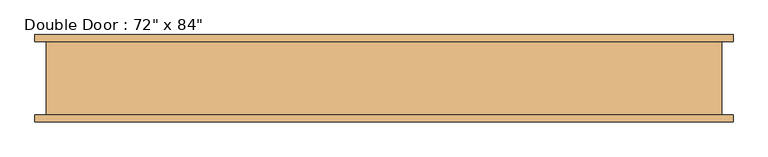
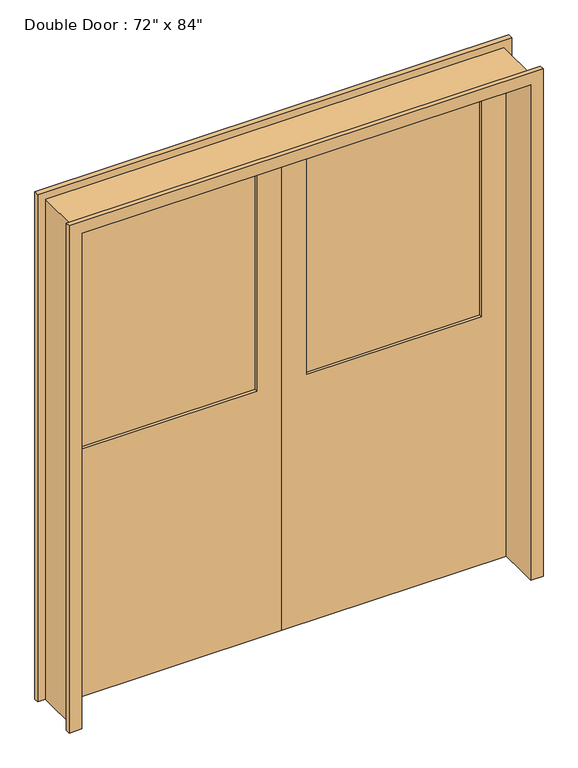
"""IFC4 building model written with IfcOpenShell, lengths in millimetres: door geometry."""

import ifcopenshell
import ifcopenshell.guid

model = None  # the IFC model being written
_history = None  # IfcOwnerHistory: only IFC2X3 demands one
_inside = {}  # id of a spatial element -> (the spatial element, [elements in it])
_under = {}  # id of a project, library or spatial element -> (it, [spatial elements below it])
_declared = {}  # id of a project -> (the project, [libraries it declares])
_typed = {}  # id of a type object -> (the type object, [elements of that type])
_made_of = {}  # id of a material, layer set ... -> (it, [elements and type objects made of it])


def new_model(schema):
    """Start an empty IFC model of exactly this schema.

    Asked for "IFC4X3", IfcOpenShell would pick the latest addendum, in which some entities
    have other attributes; the version numbers below select the first issue.
    IFC2X3 requires an IfcOwnerHistory on every rooted entity: one is made here for all.
    """
    global model, _history
    if schema == "IFC4X3":
        model = ifcopenshell.file(schema_version=(4, 3, 0, 0))
    else:
        model = ifcopenshell.file(schema=schema)
    _inside.clear()
    _under.clear()
    _declared.clear()
    _typed.clear()
    _made_of.clear()
    _history = None
    if model.schema == "IFC2X3":
        org = make("IfcOrganization", Name="unknown")
        user = make(
            "IfcPersonAndOrganization",
            ThePerson=make("IfcPerson", FamilyName="unknown"),
            TheOrganization=org,
        )
        app = make(
            "IfcApplication",
            ApplicationDeveloper=org,
            Version="unknown",
            ApplicationFullName="unknown",
            ApplicationIdentifier="unknown",
        )
        _history = make(
            "IfcOwnerHistory",
            OwningUser=user,
            OwningApplication=app,
            ChangeAction="ADDED",
            CreationDate=0,
        )
    return model


def make(cls, **values):
    """One entity of the class cls with the attributes given. An attribute that is None is left unset."""
    return model.create_entity(
        cls, **{name: value for name, value in values.items() if value is not None}
    )


def rooted(cls, **values):
    """An entity with a GlobalId (a new one), such as an element, a storey or a relation."""
    return make(cls, GlobalId=ifcopenshell.guid.new(), OwnerHistory=_history, **values)


def si_unit(unit_type, name, prefix=None):
    """IfcSIUnit, for example si_unit("LENGTHUNIT", "METRE", prefix="MILLI")."""
    return make("IfcSIUnit", UnitType=unit_type, Prefix=prefix, Name=name)


def assignment(units):
    """IfcUnitAssignment: the units of a project."""
    return None if units is None else make("IfcUnitAssignment", Units=units)


def point(xyz):
    """IfcCartesianPoint."""
    return None if xyz is None else make("IfcCartesianPoint", Coordinates=xyz)


def direction(xyz):
    """IfcDirection."""
    return None if xyz is None else make("IfcDirection", DirectionRatios=xyz)


def frame(location, z_axis=None, x_axis=None):
    """IfcAxis2Placement3D, a coordinate frame: its origin and axes. An axis left out is left unset."""
    return make(
        "IfcAxis2Placement3D",
        Location=point(location),
        Axis=direction(z_axis),
        RefDirection=direction(x_axis),
    )


def origin():
    """The frame at (0, 0, 0) with its axes left unset."""
    return frame((0.0, 0.0, 0.0))


def place(relative_to, where):
    """IfcLocalPlacement: puts the frame where relative to a parent placement (None: the world)."""
    return make(
        "IfcLocalPlacement", PlacementRelTo=relative_to, RelativePlacement=where
    )


def context(
    kind, dimensions, precision=None, world=None, true_north=None, identifier=None
):
    """IfcGeometricRepresentationContext, for example the 3D "Model" context."""
    return make(
        "IfcGeometricRepresentationContext",
        ContextIdentifier=identifier,
        ContextType=kind,
        CoordinateSpaceDimension=dimensions,
        Precision=precision,
        WorldCoordinateSystem=world,
        TrueNorth=true_north,
    )


def project(units=None, contexts=None):
    """IfcProject with its units and contexts."""
    return rooted(
        "IfcProject",
        Name="project",
        RepresentationContexts=contexts,
        UnitsInContext=assignment(units),
    )


def spatial(cls, under=None, at=None, **own):
    """A site, building, storey or space (cls), placed at a placement, below another one or the project."""
    s = rooted(cls, ObjectPlacement=at, **own)
    if under is not None:
        _under.setdefault(under.id(), (under, []))[1].append(s)
    return s


def polyline(points):
    """IfcPolyline through the points."""
    return make("IfcPolyline", Points=[point(p) for p in points])


def outline(outer, holes=None, kind="AREA"):
    """IfcArbitraryClosedProfileDef: a profile drawn as a closed curve; with holes, ...WithVoids."""
    if holes is None:
        return make("IfcArbitraryClosedProfileDef", ProfileType=kind, OuterCurve=outer)
    return make(
        "IfcArbitraryProfileDefWithVoids",
        ProfileType=kind,
        OuterCurve=outer,
        InnerCurves=holes,
    )


def extrude(swept, where, along, depth):
    """IfcExtrudedAreaSolid: the profile swept, set in the frame where, extruded along a direction by depth."""
    return make(
        "IfcExtrudedAreaSolid",
        SweptArea=swept,
        Position=where,
        ExtrudedDirection=direction(along),
        Depth=depth,
    )


def faces_of(points, faces, orient=None, outer=None):
    """IfcFace entities. A face is a list of loops; a loop is a list of indices into points, from 0.

    orient and outer hold one flag for each loop. By default every Orientation is true, the
    first loop of a face is its IfcFaceOuterBound and the others are IfcFaceBound.
    """
    made = []
    for i, loops in enumerate(faces):
        bounds = []
        for j, loop in enumerate(loops):
            is_outer = j == 0 if outer is None else outer[i][j]
            bounds.append(
                make(
                    "IfcFaceOuterBound" if is_outer else "IfcFaceBound",
                    Bound=make("IfcPolyLoop", Polygon=[points[k] for k in loop]),
                    Orientation=True if orient is None else orient[i][j],
                )
            )
        made.append(make("IfcFace", Bounds=bounds))
    return made


def faceted_brep(points, faces, orient=None, outer=None, voids=None):
    """IfcFacetedBrep: a solid bounded by flat faces; with voids (closed shells), ...WithVoids."""
    shared = [point(p) for p in points]
    hull = make("IfcClosedShell", CfsFaces=faces_of(shared, faces, orient, outer))
    if voids is None:
        return make("IfcFacetedBrep", Outer=hull)
    return make(
        "IfcFacetedBrepWithVoids",
        Outer=hull,
        Voids=[
            make(cls, CfsFaces=faces_of(shared, fs, o, b)) for cls, fs, o, b in voids
        ],
    )


def shape(context_of_items, identifier, shape_type, items):
    """IfcShapeRepresentation: the items that make up one representation, for example the "Body"."""
    return make(
        "IfcShapeRepresentation",
        ContextOfItems=context_of_items,
        RepresentationIdentifier=identifier,
        RepresentationType=shape_type,
        Items=items,
    )


def source(mapping_origin, context_of_items, identifier, shape_type, items):
    """IfcRepresentationMap: a shape defined once, which mapped items show again and again."""
    return make(
        "IfcRepresentationMap",
        MappingOrigin=mapping_origin,
        MappedRepresentation=shape(context_of_items, identifier, shape_type, items),
    )


def transform(
    local_origin,
    x_axis=None,
    y_axis=None,
    z_axis=None,
    scale=None,
    scale2=None,
    scale3=None,
    uniform=True,
):
    """IfcCartesianTransformationOperator3D, or its non-uniform kind. x_axis, y_axis, z_axis: its Axis1, 2, 3."""
    if uniform:
        return make(
            "IfcCartesianTransformationOperator3D",
            Axis1=direction(x_axis),
            Axis2=direction(y_axis),
            LocalOrigin=point(local_origin),
            Scale=scale,
            Axis3=direction(z_axis),
        )
    return make(
        "IfcCartesianTransformationOperator3DnonUniform",
        Axis1=direction(x_axis),
        Axis2=direction(y_axis),
        LocalOrigin=point(local_origin),
        Scale=scale,
        Axis3=direction(z_axis),
        Scale2=scale2,
        Scale3=scale3,
    )


def mapped(mapping_source, mapping_target):
    """IfcMappedItem: shows the shape of a source again, moved by a transform."""
    return make(
        "IfcMappedItem", MappingSource=mapping_source, MappingTarget=mapping_target
    )


def made_of(thing, what):
    """Note that an element or type object is made of a material, layer set ...; save() writes the relation."""
    if what is not None:
        _made_of.setdefault(what.id(), (what, []))[1].append(thing)
    return thing


def element(
    cls,
    number,
    at=None,
    inside=None,
    cuts=None,
    type_object=None,
    material=None,
    context=None,
    identifier="Body",
    shape_type=None,
    held_by="IfcProductDefinitionShape",
    body=None,
    shapes=None,
    **own,
):
    """One element of the class cls, such as IfcWall. Its Tag is "e" and its number.

    at: its placement. inside: the storey or other place that contains it. cuts: it is an
    opening in that element (IfcRelVoidsElement). A single representation is given by context,
    identifier, shape_type and body (its items); several are given by shapes. held_by: the class
    of the entity that holds the representations. save() writes the other relations.
    """
    e = rooted(cls, Tag="e%d" % number, ObjectPlacement=at, **own)
    if body is not None:
        shapes = [shape(context, identifier, shape_type, body)]
    if shapes is not None:
        e.Representation = make(held_by, Representations=shapes)
    if inside is not None:
        _inside.setdefault(inside.id(), (inside, []))[1].append(e)
    if cuts is not None:
        rooted(
            "IfcRelVoidsElement", RelatingBuildingElement=cuts, RelatedOpeningElement=e
        )
    if type_object is not None:
        _typed.setdefault(type_object.id(), (type_object, []))[1].append(e)
    return made_of(e, material)


def aggregate(whole, parts):
    """IfcRelAggregates: a whole, such as a stair, and the parts it consists of."""
    return rooted("IfcRelAggregates", RelatingObject=whole, RelatedObjects=parts)


def save(model, path):
    """Write the relations noted so far, then the file.

    IfcRelAggregates (storeys below a building ...), IfcRelContainedInSpatialStructure (elements
    in a storey), IfcRelDefinesByType, IfcRelAssociatesMaterial and IfcRelDeclares: one each for
    every whole, place, type object, material and project.
    """
    for whole, parts in _under.values():
        aggregate(whole, parts)
    for where, things in _inside.values():
        rooted(
            "IfcRelContainedInSpatialStructure",
            RelatedElements=things,
            RelatingStructure=where,
        )
    for kind, things in _typed.values():
        rooted("IfcRelDefinesByType", RelatedObjects=things, RelatingType=kind)
    for what, things in _made_of.values():
        rooted("IfcRelAssociatesMaterial", RelatedObjects=things, RelatingMaterial=what)
    for by, libraries in _declared.values():
        rooted("IfcRelDeclares", RelatingContext=by, RelatedDefinitions=libraries)
    model.write(path)


def door_3ac29d44(model_context):
    return source(origin(), model_context, "Body", "SolidModel", [
        extrude(outline(polyline([(812.8, 63.5), (101.6, 63.5), (101.6, 76.2), (812.8, 76.2), (812.8, 63.5)])), frame((0.0, 0.0, 1066.8), z_axis=(0.0, 0.0, 1.0), x_axis=(1.0, 0.0, 0.0)), (0.0, 0.0, 1.0), 965.2),
        faceted_brep([(-965.2, -101.6, 0.0), (-933.45, -101.6, 0.0), (-933.45, 101.6, 0.0), (-965.2, 101.6, 0.0), (-965.2, 120.65, 0.0), (-914.4, 120.65, 0.0), (-914.4, -120.65, 0.0), (-965.2, -120.65, 0.0), (-965.2, -101.6, 2184.4), (965.2, -101.6, 2184.4), (965.2, -101.6, 0.0), (933.45, -101.6, 0.0), (933.45, -101.6, 2152.65), (-933.45, -101.6, 2152.65), (-933.45, 101.6, 2152.65), (933.45, 101.6, 2152.65), (933.45, 101.6, 0.0), (965.2, 101.6, 0.0), (965.2, 101.6, 2184.4), (-965.2, 101.6, 2184.4), (-965.2, 120.65, 2184.4), (965.2, 120.65, 2184.4), (965.2, 120.65, 0.0), (914.4, 120.65, 0.0), (914.4, 120.65, 2133.6), (-914.4, 120.65, 2133.6), (-914.4, -120.65, 2133.6), (914.4, -120.65, 2133.6), (914.4, -120.65, 0.0), (965.2, -120.65, 0.0), (965.2, -120.65, 2184.4), (-965.2, -120.65, 2184.4)], [[[0, 1, 2, 3, 4, 5, 6, 7]], [[1, 0, 8, 9, 10, 11, 12, 13]], [[2, 1, 13, 14]], [[3, 2, 14, 15, 16, 17, 18, 19]], [[4, 3, 19, 20]], [[5, 4, 20, 21, 22, 23, 24, 25]], [[6, 5, 25, 26]], [[7, 6, 26, 27, 28, 29, 30, 31]], [[0, 7, 31, 8]], [[13, 12, 15, 14]], [[19, 18, 21, 20]], [[25, 24, 27, 26]], [[9, 8, 31, 30]], [[11, 10, 29, 28, 23, 22, 17, 16]], [[12, 11, 16, 15]], [[18, 17, 22, 21]], [[24, 23, 28, 27]], [[10, 9, 30, 29]]]),
        extrude(outline(polyline([(-101.6, 63.5), (-812.8, 63.5), (-812.8, 76.2), (-101.6, 76.2), (-101.6, 63.5)])), frame((0.0, 0.0, 1066.8), z_axis=(0.0, 0.0, 1.0), x_axis=(1.0, 0.0, 0.0)), (0.0, 0.0, 1.0), 965.2),
        extrude(outline(polyline([(2133.6, 0.0), (0.0, 0.0), (0.0, 914.4), (2133.6, 914.4), (2133.6, 0.0)]), holes=[polyline([(2032.0, 812.8), (1066.8, 812.8), (1066.8, 101.6), (2032.0, 101.6), (2032.0, 812.8)])]), frame((0.0, 50.8, 0.0), z_axis=(0.0, 1.0, 0.0), x_axis=(0.0, 0.0, 1.0)), (0.0, 0.0, 1.0), 50.8),
        extrude(outline(polyline([(2133.6, 0.0), (2133.6, -914.4), (0.0, -914.4), (0.0, 0.0), (2133.6, 0.0)]), holes=[polyline([(2032.0, -101.6), (1066.8, -101.6), (1066.8, -812.8), (2032.0, -812.8), (2032.0, -101.6)])]), frame((0.0, 50.8, 0.0), z_axis=(0.0, 1.0, 0.0), x_axis=(0.0, 0.0, 1.0)), (0.0, 0.0, 1.0), 50.8),
    ])


if __name__ == "__main__":
    model = new_model("IFC4")
    model_context = context("Model", 3, world=origin())
    ifc_project = project(units=[si_unit("LENGTHUNIT", "METRE", prefix="MILLI")], contexts=[model_context])
    site = spatial("IfcSite", under=ifc_project)
    building = spatial("IfcBuilding", under=site)
    placement = place(None, origin())
    door_shape = door_3ac29d44(model_context)
    element("IfcDoor", 1, ObjectType="Double Door : 72\" x 84\"", at=placement, inside=building, context=model_context, shape_type="MappedRepresentation", body=[
        mapped(door_shape, transform((0.0, 0.0, 0.0), x_axis=(1.0, 0.0, 0.0), y_axis=(0.0, 1.0, 0.0), z_axis=(0.0, 0.0, 1.0))),
    ])
    save(model, "model.ifc")
